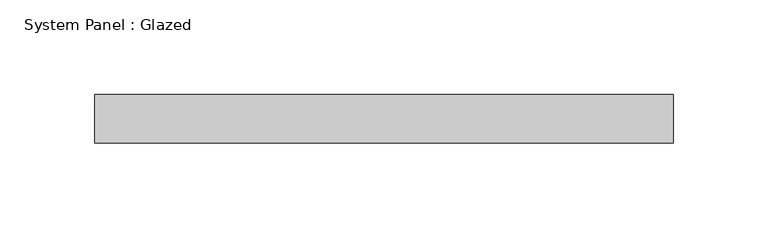
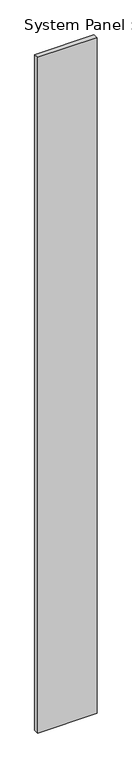
"""IFC4 building model written with IfcOpenShell, lengths in millimetres: plate geometry, System Panel : Glazed."""

from ifc_helpers import new_model, si_unit, origin, origin_with_axes, place, context, project, spatial, polyline, outline, extrude, source, transform, mapped, element, save


def system_panel_glazed_663a6761(model_context):
    return source(origin(), model_context, "Body", "SweptSolid", [
        extrude(outline(polyline([(152.3999998, 19.05), (-152.3999998, 19.05), (-152.3999998, 44.45), (152.3999998, 44.45), (152.3999998, 19.05)])), origin_with_axes(), (0.0, 0.0, 1.0), 3657.6),
    ])


if __name__ == "__main__":
    model = new_model("IFC4")
    model_context = context("Model", 3, world=origin())
    ifc_project = project(units=[si_unit("LENGTHUNIT", "METRE", prefix="MILLI")], contexts=[model_context])
    site = spatial("IfcSite", under=ifc_project)
    building = spatial("IfcBuilding", under=site)
    placement = place(None, origin())
    system_panel_glazed_shape = system_panel_glazed_663a6761(model_context)
    element("IfcPlate", 1, ObjectType="System Panel : Glazed", at=placement, inside=building, context=model_context, shape_type="MappedRepresentation", body=[
        mapped(system_panel_glazed_shape, transform((0.0, 0.0, 0.0), x_axis=(1.0, 0.0, 0.0), y_axis=(0.0, 1.0, 0.0), z_axis=(0.0, 0.0, 1.0))),
    ])
    save(model, "model.ifc")
